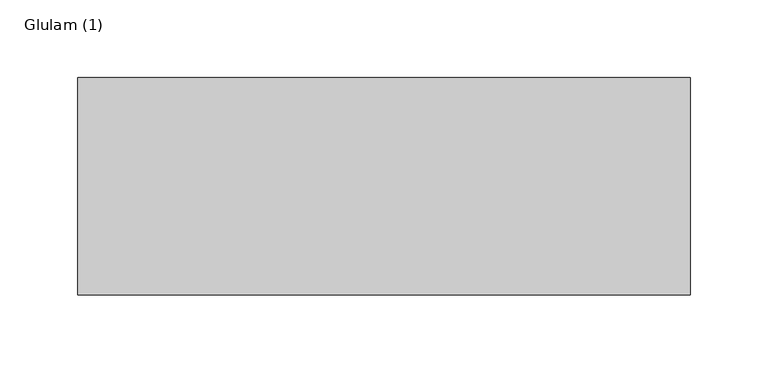
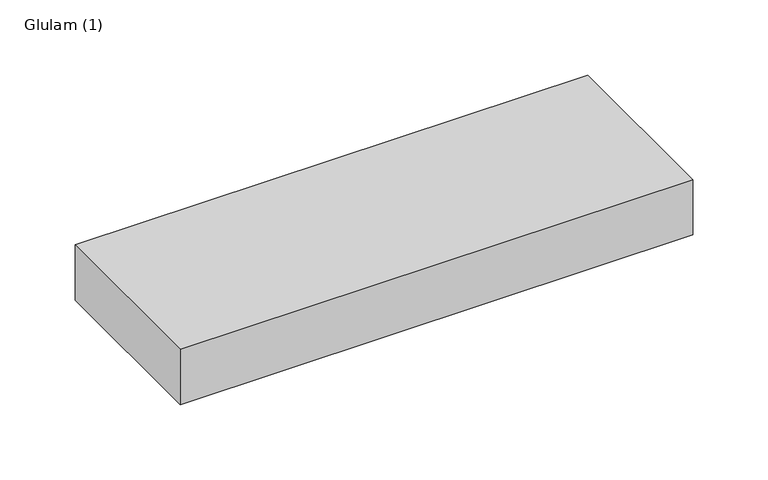
"""IFC4 building model written with IfcOpenShell, lengths in millimetres: beam geometry, Glulam (1)."""

from ifc_helpers import new_model, si_unit, frame, origin, place, context, project, spatial, polyline, outline, extrude, source, transform, mapped, element, save


def glulam_1_2e63bb62(model_context):
    return source(origin(), model_context, "Body", "SweptSolid", [
        extrude(outline(polyline([(197.0, 70.0), (197.0, -70.0), (-197.0, -70.0), (-197.0, 70.0), (197.0, 70.0)])), frame((0.0, 0.0, -22.5), z_axis=(0.0, 0.0, 1.0), x_axis=(1.0, 0.0, 0.0)), (0.0, 0.0, 1.0), 45.0),
    ])


if __name__ == "__main__":
    model = new_model("IFC4")
    model_context = context("Model", 3, world=origin())
    ifc_project = project(units=[si_unit("LENGTHUNIT", "METRE", prefix="MILLI")], contexts=[model_context])
    site = spatial("IfcSite", under=ifc_project)
    building = spatial("IfcBuilding", under=site)
    placement = place(None, origin())
    glulam_1_shape = glulam_1_2e63bb62(model_context)
    element("IfcBeam", 1, ObjectType="Glulam (1)", at=placement, inside=building, context=model_context, shape_type="MappedRepresentation", body=[
        mapped(glulam_1_shape, transform((0.0, 0.0, 0.0), x_axis=(1.0, 0.0, 0.0), y_axis=(0.0, 1.0, 0.0), z_axis=(0.0, 0.0, 1.0))),
    ])
    save(model, "model.ifc")
